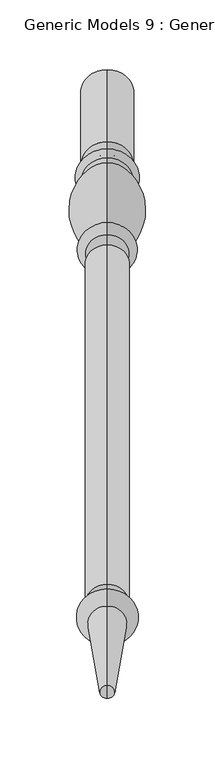
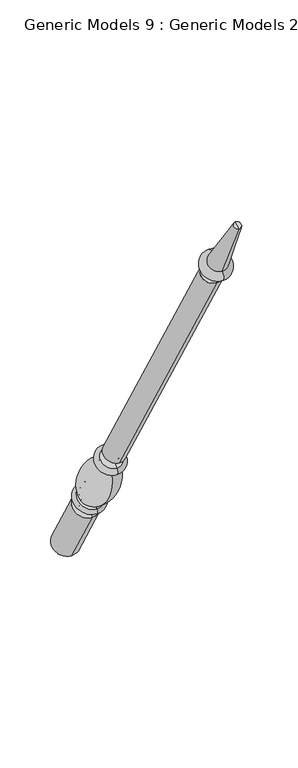
"""IFC4 building model written with IfcOpenShell, lengths in millimetres: proxy geometry, Generic Models 9 : Generic Models 2."""

from ifc_helpers import new_model, si_unit, point, frame, origin, place, context, project, spatial, polyline, circle_curve, ellipse_curve, trimmed, source, transform, mapped, element, save
from ifc_brep_helpers import plane_surface, cylinder_surface, revolved_surface, advanced_brep


def generic_models_9_generic_models_2_69bc0d13(model_context):
    return source(origin(), model_context, "Body", "AdvancedBrep", [
        advanced_brep(
        [(-1467.2684498, 1861.1601077, 610.5814746), (-1467.2684498, 1828.1645398, 591.5314746), (-1467.2684498, 1880.0576333, 501.65), (-1467.2684498, 1913.0532012, 520.7), (-1467.2684498, 1853.6896456, 623.5206944), (-1467.2684498, 1820.6940777, 604.4706944), (-1467.2684498, 1849.5864045, 630.6277165), (-1467.2684498, 1816.5908366, 611.5777165), (-1467.2684498, 1845.9182158, 636.9812058), (-1467.2684498, 1812.9226479, 617.9312058), (-1467.2684498, 1801.1569262, 703.055156), (-1467.2684498, 1778.0815733, 689.7325947), (-1467.2684498, 1799.8610191, 710.4046105), (-1467.2684498, 1772.3647125, 694.5296105), (-1467.2684498, 1794.1590629, 720.2806883), (-1467.2684498, 1766.6627563, 704.4056883), (-1467.2684498, 1786.7732215, 733.0733408), (-1467.2684498, 1759.276915, 717.1983408), (-1467.2684498, 1542.2982215, 1156.516462), (-1467.2684498, 1514.801915, 1140.641462), (-1467.2684498, 1537.2251467, 1153.5875209), (-1467.2684498, 1519.8749898, 1143.5704031), (-1467.2684498, 1531.1910418, 1164.0388972), (-1467.2684498, 1513.8408848, 1154.0217794), (-1467.2684498, 1534.7597609, 1166.0992981), (-1467.2684498, 1510.2721658, 1151.9613785), (-1467.2684498, 1526.5847892, 1180.2587644), (-1467.2684498, 1502.0971941, 1166.1208448), (-1467.2684498, 1469.4852742, 1261.8053229), (-1467.2684498, 1460.0255603, 1256.3437545), (-1467.2684498, 1464.7554173, 1259.0745387), (-1467.2684498, 1896.5554173, 511.175)],
        [
            (0, 1, circle_curve(frame((-1467.2684498, 1844.6623237, 601.0564746), z_axis=(0.0, 0.5000000000000062, -0.8660254037844352), x_axis=(0.0, -0.8660254037844352, -0.5000000000000062)), 19.05)),
            (1, 2),
            (2, 3, circle_curve(frame((-1467.2684498, 1896.5554173, 511.175), z_axis=(0.0, -0.5000000000000062, 0.8660254037844352), x_axis=(0.0, -0.8660254037844352, -0.5000000000000062)), 19.05)),
            (3, 0),
            (1, 0, circle_curve(frame((-1467.2684498, 1844.6623237, 601.0564746), z_axis=(0.0, 0.5000000000000062, -0.8660254037844352), x_axis=(0.0, -0.8660254037844352, -0.5000000000000062)), 19.05)),
            (3, 2, circle_curve(frame((-1467.2684498, 1896.5554173, 511.175), z_axis=(0.0, -0.5000000000000062, 0.8660254037844352), x_axis=(0.0, -0.8660254037844352, -0.5000000000000062)), 19.05)),
            (4, 5, circle_curve(frame((-1467.2684498, 1837.1918617, 613.9956944), z_axis=(0.0, 0.5000000000000062, -0.8660254037844352), x_axis=(0.0, -0.8660254037844352, -0.5000000000000062)), 19.05)),
            (5, 1, circle_curve(frame((-1467.2684498, 1821.8102989, 596.4889985), z_axis=(-1.0, 0.0, 0.0), x_axis=(0.0, 0.8660254037844352, 0.5000000000000062)), 8.0593685)),
            (0, 4, circle_curve(frame((-1467.2684498, 1860.0438865, 618.5631706), z_axis=(-1.0, 0.0, 0.0), x_axis=(0.0, -0.8660254037844352, -0.5000000000000062)), 8.0593685)),
            (5, 4, circle_curve(frame((-1467.2684498, 1837.1918617, 613.9956944), z_axis=(0.0, 0.5000000000000062, -0.8660254037844352), x_axis=(0.0, -0.8660254037844352, -0.5000000000000062)), 19.05)),
            (6, 7, circle_curve(frame((-1467.2684498, 1833.0886205, 621.1027165), z_axis=(0.0, 0.5000000000000062, -0.8660254037844352), x_axis=(0.0, -0.8660254037844352, -0.5000000000000062)), 19.05)),
            (7, 5, circle_curve(frame((-1467.2684498, 1818.6424572, 608.0242055), z_axis=(1.0, 0.0, 0.0), x_axis=(0.0, 0.8660254037844352, 0.5000000000000062)), 4.1032411)),
            (4, 6, circle_curve(frame((-1467.2684498, 1851.638025, 627.0742055), z_axis=(1.0, 0.0, 0.0), x_axis=(0.0, -0.8660254037844352, -0.5000000000000062)), 4.1032411)),
            (7, 6, circle_curve(frame((-1467.2684498, 1833.0886205, 621.1027165), z_axis=(0.0, 0.5000000000000062, -0.8660254037844352), x_axis=(0.0, -0.8660254037844352, -0.5000000000000062)), 19.05)),
            (8, 9, circle_curve(frame((-1467.2684498, 1829.4204318, 627.4562058), z_axis=(0.0, 0.5000000000000062, -0.8660254037844352), x_axis=(0.0, -0.8660254037844352, -0.5000000000000062)), 19.05)),
            (9, 7, circle_curve(frame((-1467.2684498, 1813.3633086, 613.9499618), z_axis=(-1.0, 0.0, 0.0), x_axis=(0.0, 0.8660254037844352, 0.5000000000000062)), 4.0055568)),
            (6, 8, circle_curve(frame((-1467.2684498, 1849.1457438, 634.6089605), z_axis=(-1.0, 0.0, 0.0), x_axis=(0.0, -0.8660254037844352, -0.5000000000000062)), 4.0055568)),
            (9, 8, circle_curve(frame((-1467.2684498, 1829.4204318, 627.4562058), z_axis=(0.0, 0.5000000000000062, -0.8660254037844352), x_axis=(0.0, -0.8660254037844352, -0.5000000000000062)), 19.05)),
            (10, 11, circle_curve(frame((-1467.2684498, 1789.6192497, 696.3938754), z_axis=(0.0, 0.5000000000000062, -0.8660254037844352), x_axis=(0.0, -0.8660254037844352, -0.5000000000000062)), 13.3225612)),
            (11, 9, circle_curve(frame((-1467.2684498, 1854.1299968, 682.2806335), z_axis=(1.0, 0.0, 0.0), x_axis=(0.0, 0.8660254037844352, 0.5000000000000062)), 76.412659)),
            (8, 10, circle_curve(frame((-1467.2684498, 1769.5863022, 633.4693086), z_axis=(1.0, 0.0, 0.0), x_axis=(0.0, -0.8660254037844352, -0.5000000000000062)), 76.412659)),
            (11, 10, circle_curve(frame((-1467.2684498, 1789.6192497, 696.3938754), z_axis=(0.0, 0.5000000000000062, -0.8660254037844352), x_axis=(0.0, -0.8660254037844352, -0.5000000000000062)), 13.3225612)),
            (12, 13, circle_curve(frame((-1467.2684498, 1786.1128658, 702.4671105), z_axis=(0.0, 0.5000000000000062, -0.8660254037844352), x_axis=(0.0, -0.8660254037844352, -0.5000000000000062)), 15.875)),
            (13, 11, circle_curve(frame((-1467.2684498, 1773.4069828, 689.9666873), z_axis=(-1.0, 0.0, 0.0), x_axis=(0.0, 0.8660254037844352, 0.5000000000000062)), 4.6804482)),
            (10, 12, circle_curve(frame((-1467.2684498, 1803.2914914, 707.2205164), z_axis=(-1.0, 0.0, 0.0), x_axis=(0.0, -0.8660254037844352, -0.5000000000000062)), 4.6804482)),
            (13, 12, circle_curve(frame((-1467.2684498, 1786.1128658, 702.4671105), z_axis=(0.0, 0.5000000000000062, -0.8660254037844352), x_axis=(0.0, -0.8660254037844352, -0.5000000000000062)), 15.875)),
            (14, 15, circle_curve(frame((-1467.2684498, 1780.4109096, 712.3431883), z_axis=(0.0, 0.5000000000000062, -0.8660254037844352), x_axis=(0.0, -0.8660254037844352, -0.5000000000000062)), 15.875)),
            (15, 13, circle_curve(frame((-1467.2684498, 1769.5137344, 699.4676494), z_axis=(1.0, 0.0, 0.0), x_axis=(0.0, 0.8660254037844352, 0.5000000000000062)), 5.7019562)),
            (12, 14, circle_curve(frame((-1467.2684498, 1797.010041, 715.3426494), z_axis=(1.0, 0.0, 0.0), x_axis=(0.0, -0.8660254037844352, -0.5000000000000062)), 5.7019562)),
            (15, 14, circle_curve(frame((-1467.2684498, 1780.4109096, 712.3431883), z_axis=(0.0, 0.5000000000000062, -0.8660254037844352), x_axis=(0.0, -0.8660254037844352, -0.5000000000000062)), 15.875)),
            (16, 17, circle_curve(frame((-1467.2684498, 1773.0250683, 725.1358408), z_axis=(0.0, 0.5000000000000062, -0.8660254037844352), x_axis=(0.0, -0.8660254037844352, -0.5000000000000062)), 15.875)),
            (17, 15, circle_curve(frame((-1467.2684498, 1762.9698356, 710.8020145), z_axis=(-1.0, 0.0, 0.0), x_axis=(0.0, 0.8660254037844352, 0.5000000000000062)), 7.3858413)),
            (14, 16, circle_curve(frame((-1467.2684498, 1790.4661422, 726.6770145), z_axis=(-1.0, 0.0, 0.0), x_axis=(0.0, -0.8660254037844352, -0.5000000000000062)), 7.3858413)),
            (17, 16, circle_curve(frame((-1467.2684498, 1773.0250683, 725.1358408), z_axis=(0.0, 0.5000000000000062, -0.8660254037844352), x_axis=(0.0, -0.8660254037844352, -0.5000000000000062)), 15.875)),
            (18, 19, circle_curve(frame((-1467.2684498, 1528.5500683, 1148.578962), z_axis=(0.0, 0.5000000000000062, -0.8660254037844352), x_axis=(0.0, -0.8660254037844352, -0.5000000000000062)), 15.875)),
            (19, 17),
            (16, 18),
            (19, 18, circle_curve(frame((-1467.2684498, 1528.5500683, 1148.578962), z_axis=(0.0, 0.5000000000000062, -0.8660254037844352), x_axis=(0.0, -0.8660254037844352, -0.5000000000000062)), 15.875)),
            (20, 21, circle_curve(frame((-1467.2684498, 1528.5500683, 1148.578962), z_axis=(0.0, 0.5000000000000062, -0.8660254037844352), x_axis=(0.0, -0.8660254037844352, -0.5000000000000062)), 10.0171178)),
            (21, 19),
            (18, 20),
            (21, 20, circle_curve(frame((-1467.2684498, 1528.5500683, 1148.578962), z_axis=(0.0, 0.5000000000000062, -0.8660254037844352), x_axis=(0.0, -0.8660254037844352, -0.5000000000000062)), 10.0171178)),
            (22, 23, circle_curve(frame((-1467.2684498, 1522.5159633, 1159.0303383), z_axis=(0.0, 0.5000000000000062, -0.8660254037844352), x_axis=(0.0, -0.8660254037844352, -0.5000000000000062)), 10.0171178)),
            (23, 21, circle_curve(frame((-1467.2684498, 1515.3020818, 1147.8978177), z_axis=(-1.0, 0.0, 0.0), x_axis=(0.0, 0.8660254037844352, 0.5000000000000062)), 6.295872)),
            (20, 22, circle_curve(frame((-1467.2684498, 1535.7639497, 1159.7114826), z_axis=(-1.0, 0.0, 0.0), x_axis=(0.0, -0.8660254037844352, -0.5000000000000062)), 6.295872)),
            (23, 22, circle_curve(frame((-1467.2684498, 1522.5159633, 1159.0303383), z_axis=(0.0, 0.5000000000000062, -0.8660254037844352), x_axis=(0.0, -0.8660254037844352, -0.5000000000000062)), 10.0171178)),
            (24, 25, circle_curve(frame((-1467.2684498, 1522.5159633, 1159.0303383), z_axis=(0.0, 0.5000000000000062, -0.8660254037844352), x_axis=(0.0, -0.8660254037844352, -0.5000000000000062)), 14.1379196)),
            (25, 23),
            (22, 24),
            (25, 24, circle_curve(frame((-1467.2684498, 1522.5159633, 1159.0303383), z_axis=(0.0, 0.5000000000000062, -0.8660254037844352), x_axis=(0.0, -0.8660254037844352, -0.5000000000000062)), 14.1379196)),
            (26, 27, circle_curve(frame((-1467.2684498, 1514.3409916, 1173.1898046), z_axis=(0.0, 0.5000000000000062, -0.8660254037844352), x_axis=(0.0, -0.8660254037844352, -0.5000000000000062)), 14.1379196)),
            (27, 25, circle_curve(frame((-1467.2684498, 1506.1846799, 1159.0411116), z_axis=(1.0, 0.0, 0.0), x_axis=(0.0, 0.8660254037844352, 0.5000000000000062)), 8.1749717)),
            (24, 26, circle_curve(frame((-1467.2684498, 1530.672275, 1173.1790313), z_axis=(1.0, 0.0, 0.0), x_axis=(0.0, -0.8660254037844352, -0.5000000000000062)), 8.1749717)),
            (27, 26, circle_curve(frame((-1467.2684498, 1514.3409916, 1173.1898046), z_axis=(0.0, 0.5000000000000062, -0.8660254037844352), x_axis=(0.0, -0.8660254037844352, -0.5000000000000062)), 14.1379196)),
            (28, 29, circle_curve(frame((-1467.2684498, 1464.7554173, 1259.0745387), z_axis=(0.0, 0.5000000000000062, -0.8660254037844352), x_axis=(0.0, -0.8660254037844352, -0.5000000000000062)), 5.4615684)),
            (29, 27),
            (26, 28),
            (29, 28, circle_curve(frame((-1467.2684498, 1464.7554173, 1259.0745387), z_axis=(0.0, 0.5000000000000062, -0.8660254037844352), x_axis=(0.0, -0.8660254037844352, -0.5000000000000062)), 5.4615684)),
            (30, 29),
            (28, 30),
            (2, 31),
            (31, 3),
        ],
        [
            cylinder_surface(frame((-1467.2684498, 1464.7554173, 1259.0745387), z_axis=(0.0, -0.5000000000000062, 0.8660254037844352), x_axis=(0.0, -0.8660254037844352, -0.5000000000000062)), 19.05),
            revolved_surface(trimmed(ellipse_curve(frame((-1467.2684498, 1821.8102989, 596.4889985), z_axis=(1.0, 0.0, 0.0), x_axis=(0.0, 0.8660254037844352, 0.5000000000000062)), 8.0593685, 8.0593685), [point((-1467.2684498, 1828.1645398, 591.5314746))], [point((-1467.2684498, 1820.6940777, 604.4706944))], True, "CARTESIAN"), (-1467.2684498, 1464.7554173, 1259.0745387), (0.0, -0.5000000000000062, 0.8660254037844352)),
            revolved_surface(trimmed(ellipse_curve(frame((-1467.2684498, 1818.6424572, 608.0242055), z_axis=(-1.0, 0.0, 0.0), x_axis=(0.0, 0.8660254037844352, 0.5000000000000062)), 4.1032411, 4.1032411), [point((-1467.2684498, 1820.6940777, 604.4706944))], [point((-1467.2684498, 1816.5908366, 611.5777165))], True, "CARTESIAN"), (-1467.2684498, 1464.7554173, 1259.0745387), (0.0, -0.5000000000000062, 0.8660254037844352)),
            revolved_surface(trimmed(ellipse_curve(frame((-1467.2684498, 1813.3633086, 613.9499618), z_axis=(1.0, 0.0, 0.0), x_axis=(0.0, 0.8660254037844352, 0.5000000000000062)), 4.0055568, 4.0055568), [point((-1467.2684498, 1816.5908366, 611.5777165))], [point((-1467.2684498, 1812.9226479, 617.9312058))], True, "CARTESIAN"), (-1467.2684498, 1464.7554173, 1259.0745387), (0.0, -0.5000000000000062, 0.8660254037844352)),
            revolved_surface(trimmed(ellipse_curve(frame((-1467.2684498, 1854.1299968, 682.2806335), z_axis=(-1.0, 0.0, 0.0), x_axis=(0.0, 0.8660254037844352, 0.5000000000000062)), 76.412659, 76.412659), [point((-1467.2684498, 1812.9226479, 617.9312058))], [point((-1467.2684498, 1778.0815733, 689.7325947))], True, "CARTESIAN"), (-1467.2684498, 1464.7554173, 1259.0745387), (0.0, -0.5000000000000062, 0.8660254037844352)),
            revolved_surface(trimmed(ellipse_curve(frame((-1467.2684498, 1773.4069828, 689.9666873), z_axis=(1.0, 0.0, 0.0), x_axis=(0.0, 0.8660254037844352, 0.5000000000000062)), 4.6804482, 4.6804482), [point((-1467.2684498, 1778.0815733, 689.7325947))], [point((-1467.2684498, 1772.3647125, 694.5296105))], True, "CARTESIAN"), (-1467.2684498, 1464.7554173, 1259.0745387), (0.0, -0.5000000000000062, 0.8660254037844352)),
            revolved_surface(trimmed(ellipse_curve(frame((-1467.2684498, 1769.5137344, 699.4676494), z_axis=(-1.0, 0.0, 0.0), x_axis=(0.0, 0.8660254037844352, 0.5000000000000062)), 5.7019562, 5.7019562), [point((-1467.2684498, 1772.3647125, 694.5296105))], [point((-1467.2684498, 1766.6627563, 704.4056883))], True, "CARTESIAN"), (-1467.2684498, 1464.7554173, 1259.0745387), (0.0, -0.5000000000000062, 0.8660254037844352)),
            revolved_surface(trimmed(ellipse_curve(frame((-1467.2684498, 1762.9698356, 710.8020145), z_axis=(1.0, 0.0, 0.0), x_axis=(0.0, 0.8660254037844352, 0.5000000000000062)), 7.3858413, 7.3858413), [point((-1467.2684498, 1766.6627563, 704.4056883))], [point((-1467.2684498, 1759.276915, 717.1983408))], True, "CARTESIAN"), (-1467.2684498, 1464.7554173, 1259.0745387), (0.0, -0.5000000000000062, 0.8660254037844352)),
            cylinder_surface(frame((-1467.2684498, 1464.7554173, 1259.0745387), z_axis=(0.0, -0.5000000000000062, 0.8660254037844352), x_axis=(0.0, -0.8660254037844352, -0.5000000000000062)), 15.875),
            plane_surface(frame((-1467.2684498, 1528.5500683, 1148.578962), z_axis=(0.0, -0.5000000000000062, 0.8660254037844352), x_axis=(0.0, -0.8660254037844352, -0.5000000000000062))),
            revolved_surface(trimmed(ellipse_curve(frame((-1467.2684498, 1515.3020818, 1147.8978177), z_axis=(1.0, 0.0, 0.0), x_axis=(0.0, 0.8660254037844352, 0.5000000000000062)), 6.295872, 6.295872), [point((-1467.2684498, 1519.8749898, 1143.5704031))], [point((-1467.2684498, 1513.8408848, 1154.0217794))], True, "CARTESIAN"), (-1467.2684498, 1464.7554173, 1259.0745387), (0.0, -0.5000000000000062, 0.8660254037844352)),
            plane_surface(frame((-1467.2684498, 1522.5159633, 1159.0303383), z_axis=(0.0, 0.5000000000000062, -0.8660254037844352), x_axis=(0.0, -0.8660254037844352, -0.5000000000000062))),
            revolved_surface(trimmed(ellipse_curve(frame((-1467.2684498, 1506.1846799, 1159.0411116), z_axis=(-1.0, 0.0, 0.0), x_axis=(0.0, 0.8660254037844352, 0.5000000000000062)), 8.1749717, 8.1749717), [point((-1467.2684498, 1510.2721658, 1151.9613785))], [point((-1467.2684498, 1502.0971941, 1166.1208448))], True, "CARTESIAN"), (-1467.2684498, 1464.7554173, 1259.0745387), (0.0, -0.5000000000000062, 0.8660254037844352)),
            revolved_surface(polyline([(-1467.2684498, 1502.0971941, 1166.1208448), (-1467.2684498, 1460.0255603, 1256.3437545)]), (-1467.2684498, 1464.7554173, 1259.0745387), (0.0, -0.5000000000000062, 0.8660254037844352)),
            plane_surface(frame((-1467.2684498, 1464.7554173, 1259.0745387), z_axis=(0.0, -0.5000000000000062, 0.8660254037844352), x_axis=(0.0, -0.8660254037844352, -0.5000000000000062))),
            plane_surface(frame((-1467.2684498, 1896.5554173, 511.175), z_axis=(0.0, 0.5000000000000062, -0.8660254037844352), x_axis=(0.0, -0.8660254037844352, -0.5000000000000062))),
        ],
        [
            (0, [[1, 2, 3, 4]]),
            (0, [[5, -4, 6, -2]]),
            (1, [[7, 8, -1, 9]]),
            (1, [[10, -9, -5, -8]]),
            (2, [[11, 12, -7, 13]]),
            (2, [[14, -13, -10, -12]]),
            (3, [[15, 16, -11, 17]]),
            (3, [[18, -17, -14, -16]]),
            (4, [[19, 20, -15, 21]]),
            (4, [[22, -21, -18, -20]]),
            (5, [[23, 24, -19, 25]]),
            (5, [[26, -25, -22, -24]]),
            (6, [[27, 28, -23, 29]]),
            (6, [[30, -29, -26, -28]]),
            (7, [[31, 32, -27, 33]]),
            (7, [[34, -33, -30, -32]]),
            (8, [[35, 36, -31, 37]]),
            (8, [[38, -37, -34, -36]]),
            (9, [[39, 40, -35, 41]]),
            (9, [[42, -41, -38, -40]]),
            (10, [[43, 44, -39, 45]]),
            (10, [[46, -45, -42, -44]]),
            (11, [[47, 48, -43, 49]]),
            (11, [[50, -49, -46, -48]]),
            (12, [[51, 52, -47, 53]]),
            (12, [[54, -53, -50, -52]]),
            (13, [[55, 56, -51, 57]]),
            (13, [[58, -57, -54, -56]]),
            (14, [[59, -55, 60]]),
            (14, [[-60, -58, -59]]),
            (15, [[-3, 61, 62]]),
            (15, [[-6, -62, -61]]),
        ],
    ),
    ])


if __name__ == "__main__":
    model = new_model("IFC4")
    model_context = context("Model", 3, world=origin())
    ifc_project = project(units=[si_unit("LENGTHUNIT", "METRE", prefix="MILLI")], contexts=[model_context])
    site = spatial("IfcSite", under=ifc_project)
    building = spatial("IfcBuilding", under=site)
    placement = place(None, origin())
    generic_models_9_generic_models_2_shape = generic_models_9_generic_models_2_69bc0d13(model_context)
    element("IfcBuildingElementProxy", 1, Name="Generic Models 9 : Generic Models 2", ObjectType="Generic Models 9 : Generic Models 2", at=placement, inside=building, context=model_context, shape_type="MappedRepresentation", body=[
        mapped(generic_models_9_generic_models_2_shape, transform((0.0, 0.0, 0.0), x_axis=(1.0, 0.0, 0.0), y_axis=(0.0, 1.0, 0.0), z_axis=(0.0, 0.0, 1.0))),
    ])
    save(model, "model.ifc")
